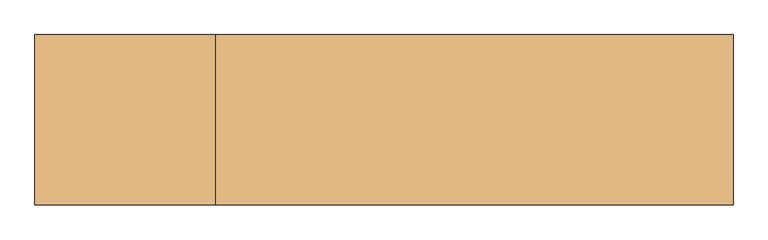
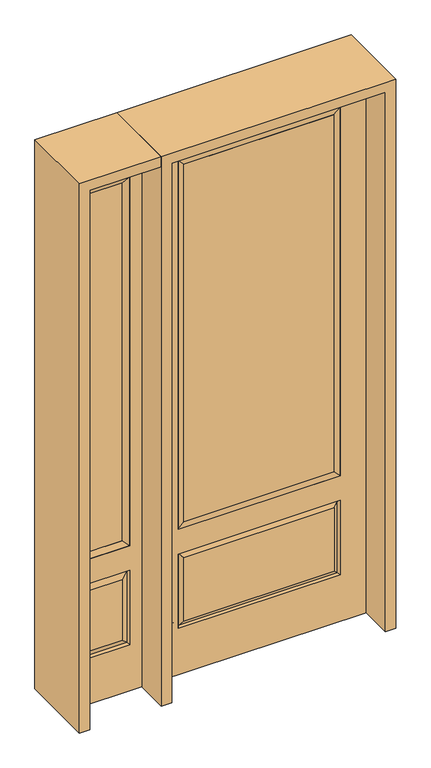
"""IFC4 building model written with IfcOpenShell, lengths in millimetres: door geometry."""

import ifcopenshell
import ifcopenshell.guid

model = None  # the IFC model being written
_history = None  # IfcOwnerHistory: only IFC2X3 demands one
_inside = {}  # id of a spatial element -> (the spatial element, [elements in it])
_under = {}  # id of a project, library or spatial element -> (it, [spatial elements below it])
_declared = {}  # id of a project -> (the project, [libraries it declares])
_typed = {}  # id of a type object -> (the type object, [elements of that type])
_made_of = {}  # id of a material, layer set ... -> (it, [elements and type objects made of it])


def new_model(schema):
    """Start an empty IFC model of exactly this schema.

    Asked for "IFC4X3", IfcOpenShell would pick the latest addendum, in which some entities
    have other attributes; the version numbers below select the first issue.
    IFC2X3 requires an IfcOwnerHistory on every rooted entity: one is made here for all.
    """
    global model, _history
    if schema == "IFC4X3":
        model = ifcopenshell.file(schema_version=(4, 3, 0, 0))
    else:
        model = ifcopenshell.file(schema=schema)
    _inside.clear()
    _under.clear()
    _declared.clear()
    _typed.clear()
    _made_of.clear()
    _history = None
    if model.schema == "IFC2X3":
        org = make("IfcOrganization", Name="unknown")
        user = make(
            "IfcPersonAndOrganization",
            ThePerson=make("IfcPerson", FamilyName="unknown"),
            TheOrganization=org,
        )
        app = make(
            "IfcApplication",
            ApplicationDeveloper=org,
            Version="unknown",
            ApplicationFullName="unknown",
            ApplicationIdentifier="unknown",
        )
        _history = make(
            "IfcOwnerHistory",
            OwningUser=user,
            OwningApplication=app,
            ChangeAction="ADDED",
            CreationDate=0,
        )
    return model


def make(cls, **values):
    """One entity of the class cls with the attributes given. An attribute that is None is left unset."""
    return model.create_entity(
        cls, **{name: value for name, value in values.items() if value is not None}
    )


def rooted(cls, **values):
    """An entity with a GlobalId (a new one), such as an element, a storey or a relation."""
    return make(cls, GlobalId=ifcopenshell.guid.new(), OwnerHistory=_history, **values)


def si_unit(unit_type, name, prefix=None):
    """IfcSIUnit, for example si_unit("LENGTHUNIT", "METRE", prefix="MILLI")."""
    return make("IfcSIUnit", UnitType=unit_type, Prefix=prefix, Name=name)


def assignment(units):
    """IfcUnitAssignment: the units of a project."""
    return None if units is None else make("IfcUnitAssignment", Units=units)


def point(xyz):
    """IfcCartesianPoint."""
    return None if xyz is None else make("IfcCartesianPoint", Coordinates=xyz)


def direction(xyz):
    """IfcDirection."""
    return None if xyz is None else make("IfcDirection", DirectionRatios=xyz)


def frame(location, z_axis=None, x_axis=None):
    """IfcAxis2Placement3D, a coordinate frame: its origin and axes. An axis left out is left unset."""
    return make(
        "IfcAxis2Placement3D",
        Location=point(location),
        Axis=direction(z_axis),
        RefDirection=direction(x_axis),
    )


def origin():
    """The frame at (0, 0, 0) with its axes left unset."""
    return frame((0.0, 0.0, 0.0))


def place(relative_to, where):
    """IfcLocalPlacement: puts the frame where relative to a parent placement (None: the world)."""
    return make(
        "IfcLocalPlacement", PlacementRelTo=relative_to, RelativePlacement=where
    )


def context(
    kind, dimensions, precision=None, world=None, true_north=None, identifier=None
):
    """IfcGeometricRepresentationContext, for example the 3D "Model" context."""
    return make(
        "IfcGeometricRepresentationContext",
        ContextIdentifier=identifier,
        ContextType=kind,
        CoordinateSpaceDimension=dimensions,
        Precision=precision,
        WorldCoordinateSystem=world,
        TrueNorth=true_north,
    )


def project(units=None, contexts=None):
    """IfcProject with its units and contexts."""
    return rooted(
        "IfcProject",
        Name="project",
        RepresentationContexts=contexts,
        UnitsInContext=assignment(units),
    )


def spatial(cls, under=None, at=None, **own):
    """A site, building, storey or space (cls), placed at a placement, below another one or the project."""
    s = rooted(cls, ObjectPlacement=at, **own)
    if under is not None:
        _under.setdefault(under.id(), (under, []))[1].append(s)
    return s


def polyline(points):
    """IfcPolyline through the points."""
    return make("IfcPolyline", Points=[point(p) for p in points])


def outline(outer, holes=None, kind="AREA"):
    """IfcArbitraryClosedProfileDef: a profile drawn as a closed curve; with holes, ...WithVoids."""
    if holes is None:
        return make("IfcArbitraryClosedProfileDef", ProfileType=kind, OuterCurve=outer)
    return make(
        "IfcArbitraryProfileDefWithVoids",
        ProfileType=kind,
        OuterCurve=outer,
        InnerCurves=holes,
    )


def extrude(swept, where, along, depth):
    """IfcExtrudedAreaSolid: the profile swept, set in the frame where, extruded along a direction by depth."""
    return make(
        "IfcExtrudedAreaSolid",
        SweptArea=swept,
        Position=where,
        ExtrudedDirection=direction(along),
        Depth=depth,
    )


def faces_of(points, faces, orient=None, outer=None):
    """IfcFace entities. A face is a list of loops; a loop is a list of indices into points, from 0.

    orient and outer hold one flag for each loop. By default every Orientation is true, the
    first loop of a face is its IfcFaceOuterBound and the others are IfcFaceBound.
    """
    made = []
    for i, loops in enumerate(faces):
        bounds = []
        for j, loop in enumerate(loops):
            is_outer = j == 0 if outer is None else outer[i][j]
            bounds.append(
                make(
                    "IfcFaceOuterBound" if is_outer else "IfcFaceBound",
                    Bound=make("IfcPolyLoop", Polygon=[points[k] for k in loop]),
                    Orientation=True if orient is None else orient[i][j],
                )
            )
        made.append(make("IfcFace", Bounds=bounds))
    return made


def faceted_brep(points, faces, orient=None, outer=None, voids=None):
    """IfcFacetedBrep: a solid bounded by flat faces; with voids (closed shells), ...WithVoids."""
    shared = [point(p) for p in points]
    hull = make("IfcClosedShell", CfsFaces=faces_of(shared, faces, orient, outer))
    if voids is None:
        return make("IfcFacetedBrep", Outer=hull)
    return make(
        "IfcFacetedBrepWithVoids",
        Outer=hull,
        Voids=[
            make(cls, CfsFaces=faces_of(shared, fs, o, b)) for cls, fs, o, b in voids
        ],
    )


def shape(context_of_items, identifier, shape_type, items):
    """IfcShapeRepresentation: the items that make up one representation, for example the "Body"."""
    return make(
        "IfcShapeRepresentation",
        ContextOfItems=context_of_items,
        RepresentationIdentifier=identifier,
        RepresentationType=shape_type,
        Items=items,
    )


def source(mapping_origin, context_of_items, identifier, shape_type, items):
    """IfcRepresentationMap: a shape defined once, which mapped items show again and again."""
    return make(
        "IfcRepresentationMap",
        MappingOrigin=mapping_origin,
        MappedRepresentation=shape(context_of_items, identifier, shape_type, items),
    )


def transform(
    local_origin,
    x_axis=None,
    y_axis=None,
    z_axis=None,
    scale=None,
    scale2=None,
    scale3=None,
    uniform=True,
):
    """IfcCartesianTransformationOperator3D, or its non-uniform kind. x_axis, y_axis, z_axis: its Axis1, 2, 3."""
    if uniform:
        return make(
            "IfcCartesianTransformationOperator3D",
            Axis1=direction(x_axis),
            Axis2=direction(y_axis),
            LocalOrigin=point(local_origin),
            Scale=scale,
            Axis3=direction(z_axis),
        )
    return make(
        "IfcCartesianTransformationOperator3DnonUniform",
        Axis1=direction(x_axis),
        Axis2=direction(y_axis),
        LocalOrigin=point(local_origin),
        Scale=scale,
        Axis3=direction(z_axis),
        Scale2=scale2,
        Scale3=scale3,
    )


def mapped(mapping_source, mapping_target):
    """IfcMappedItem: shows the shape of a source again, moved by a transform."""
    return make(
        "IfcMappedItem", MappingSource=mapping_source, MappingTarget=mapping_target
    )


def made_of(thing, what):
    """Note that an element or type object is made of a material, layer set ...; save() writes the relation."""
    if what is not None:
        _made_of.setdefault(what.id(), (what, []))[1].append(thing)
    return thing


def element(
    cls,
    number,
    at=None,
    inside=None,
    cuts=None,
    type_object=None,
    material=None,
    context=None,
    identifier="Body",
    shape_type=None,
    held_by="IfcProductDefinitionShape",
    body=None,
    shapes=None,
    **own,
):
    """One element of the class cls, such as IfcWall. Its Tag is "e" and its number.

    at: its placement. inside: the storey or other place that contains it. cuts: it is an
    opening in that element (IfcRelVoidsElement). A single representation is given by context,
    identifier, shape_type and body (its items); several are given by shapes. held_by: the class
    of the entity that holds the representations. save() writes the other relations.
    """
    e = rooted(cls, Tag="e%d" % number, ObjectPlacement=at, **own)
    if body is not None:
        shapes = [shape(context, identifier, shape_type, body)]
    if shapes is not None:
        e.Representation = make(held_by, Representations=shapes)
    if inside is not None:
        _inside.setdefault(inside.id(), (inside, []))[1].append(e)
    if cuts is not None:
        rooted(
            "IfcRelVoidsElement", RelatingBuildingElement=cuts, RelatedOpeningElement=e
        )
    if type_object is not None:
        _typed.setdefault(type_object.id(), (type_object, []))[1].append(e)
    return made_of(e, material)


def aggregate(whole, parts):
    """IfcRelAggregates: a whole, such as a stair, and the parts it consists of."""
    return rooted("IfcRelAggregates", RelatingObject=whole, RelatedObjects=parts)


def save(model, path):
    """Write the relations noted so far, then the file.

    IfcRelAggregates (storeys below a building ...), IfcRelContainedInSpatialStructure (elements
    in a storey), IfcRelDefinesByType, IfcRelAssociatesMaterial and IfcRelDeclares: one each for
    every whole, place, type object, material and project.
    """
    for whole, parts in _under.values():
        aggregate(whole, parts)
    for where, things in _inside.values():
        rooted(
            "IfcRelContainedInSpatialStructure",
            RelatedElements=things,
            RelatingStructure=where,
        )
    for kind, things in _typed.values():
        rooted("IfcRelDefinesByType", RelatedObjects=things, RelatingType=kind)
    for what, things in _made_of.values():
        rooted("IfcRelAssociatesMaterial", RelatedObjects=things, RelatingMaterial=what)
    for by, libraries in _declared.values():
        rooted("IfcRelDeclares", RelatingContext=by, RelatedDefinitions=libraries)
    model.write(path)


def door_c6d28d1c(model_context):
    return source(origin(), model_context, "Body", "SolidModel", [
        faceted_brep([(-806.45, -22.225, 0.0), (-501.65, -22.225, 0.0), (-501.65, -22.225, 2438.4), (-806.45, -22.225, 2438.4), (-553.72, -22.225, 2325.624), (-553.72, -22.225, 657.098), (-754.38, -22.225, 657.098), (-754.38, -22.225, 2325.624), (-553.72, -22.225, 209.55), (-754.38, -22.225, 209.55), (-754.38, -22.225, 546.1), (-553.72, -22.225, 546.1), (-722.6648999, -22.225, 241.2651001), (-585.4351001, -22.225, 241.2651001), (-585.4351001, -22.225, 514.3848999), (-722.6648999, -22.225, 514.3848999), (-806.45, 22.225, 0.0), (-806.45, 22.225, 2438.4), (-501.65, 22.225, 2438.4), (-501.65, 22.225, 0.0), (-553.72, 22.225, 2325.624), (-754.38, 22.225, 2325.624), (-754.38, 22.225, 657.098), (-553.72, 22.225, 657.098), (-754.38, 22.225, 209.55), (-553.72, 22.225, 209.55), (-553.72, 22.225, 546.1), (-754.38, 22.225, 546.1), (-585.4351001, 22.225, 241.2651001), (-722.6648999, 22.225, 241.2651001), (-722.6648999, 22.225, 514.3848999), (-585.4351001, 22.225, 514.3848999), (-560.8288501, 12.7912373, 216.6588501), (-747.2711499, 12.7912373, 216.6588501), (-747.2711499, 12.7912373, 538.9911499), (-560.8288501, 12.7912373, 538.9911499), (-747.2711499, -12.7912373, 216.6588501), (-560.8288501, -12.7912373, 216.6588501), (-747.2711499, -12.7912373, 538.9911499), (-560.8288501, -12.7912373, 538.9911499)], [[[0, 1, 2, 3], [4, 5, 6, 7], [8, 9, 10, 11]], [[12, 13, 14, 15]], [[16, 17, 18, 19], [20, 21, 22, 23], [24, 25, 26, 27]], [[28, 29, 30, 31]], [[1, 0, 16, 19]], [[2, 1, 19, 18]], [[3, 2, 18, 17]], [[0, 3, 17, 16]], [[5, 4, 20, 23]], [[6, 5, 23, 22]], [[7, 6, 22, 21]], [[4, 7, 21, 20]], [[32, 33, 29, 28]], [[33, 32, 25, 24]], [[29, 33, 34, 30]], [[33, 24, 27, 34]], [[30, 34, 35, 31]], [[34, 27, 26, 35]], [[32, 28, 31, 35]], [[25, 32, 35, 26]], [[12, 36, 37, 13]], [[37, 36, 9, 8]], [[36, 12, 15, 38]], [[9, 36, 38, 10]], [[38, 15, 14, 39]], [[10, 38, 39, 11]], [[13, 37, 39, 14]], [[37, 8, 11, 39]]]),
        faceted_brep([(-754.38, 22.225, 2325.624), (-754.38, -22.225, 2325.624), (-553.72, -22.225, 2325.624), (-553.72, 22.225, 2325.624), (-728.98, 12.7, 2300.224), (-579.12, 12.7, 2300.224), (-728.98, -12.7, 2300.224), (-579.12, -12.7, 2300.224), (-553.72, -22.225, 657.098), (-553.72, 22.225, 657.098), (-579.12, 12.7, 682.498), (-579.12, -12.7, 682.498), (-754.38, -22.225, 657.098), (-754.38, 22.225, 657.098), (-728.98, 12.7, 682.498), (-728.98, -12.7, 682.498)], [[[0, 1, 2, 3]], [[4, 0, 3, 5]], [[6, 4, 5, 7]], [[1, 6, 7, 2]], [[3, 2, 8, 9]], [[5, 3, 9, 10]], [[7, 5, 10, 11]], [[2, 7, 11, 8]], [[9, 8, 12, 13]], [[10, 9, 13, 14]], [[11, 10, 14, 15]], [[8, 11, 15, 12]], [[13, 12, 1, 0]], [[14, 13, 0, 4]], [[15, 14, 4, 6]], [[12, 15, 6, 1]]]),
        extrude(outline(polyline([(-579.12, -12.7), (-728.98, -12.7), (-728.98, 12.7), (-579.12, 12.7), (-579.12, -12.7)])), frame((0.0, 0.0, 682.498), z_axis=(0.0, 0.0, 1.0), x_axis=(1.0, 0.0, 0.0)), (0.0, 0.0, 1.0), 1617.726),
        extrude(outline(polyline([(320.675, -20.32), (-320.675, -20.32), (-320.675, 5.08), (320.675, 5.08), (320.675, -20.32)])), frame((0.0, 0.0, 682.498), z_axis=(0.0, 0.0, 1.0), x_axis=(1.0, 0.0, 0.0)), (0.0, 0.0, 1.0), 1616.202),
        faceted_brep([(-338.9661499, -12.7912373, 216.6588501), (338.9661499, -12.7912373, 216.6588501), (321.46875, -22.225, 234.15625), (-321.46875, -22.225, 234.15625), (-346.075, -22.225, 209.55), (346.075, -22.225, 209.55), (-338.9661499, -12.7912373, 538.9911499), (-346.075, -22.225, 546.1), (321.46875, -22.225, 521.49375), (-321.46875, -22.225, 521.49375), (457.2, -22.225, 2438.4), (-457.2, -22.225, 2438.4), (-457.2, -22.225, 0.0), (457.2, -22.225, 0.0), (346.075, -22.225, 546.1), (346.075, -22.225, 2324.1), (346.075, -22.225, 657.098), (-346.075, -22.225, 657.098), (-346.075, -22.225, 2324.1), (338.9661499, -12.7912373, 538.9911499), (-457.2, 22.225, 2438.4), (-457.2, 22.225, 0.0), (457.2, 22.225, 0.0), (457.2, 22.225, 2438.4), (346.075, 22.225, 2324.1), (346.075, 22.225, 657.098), (-346.075, 22.225, 657.098), (-346.075, 22.225, 2324.1), (-346.075, 22.225, 209.55), (346.075, 22.225, 209.55), (346.075, 22.225, 546.1), (-346.075, 22.225, 546.1), (321.46875, 22.225, 234.15625), (-321.46875, 22.225, 234.15625), (-321.46875, 22.225, 521.49375), (321.46875, 22.225, 521.49375), (-338.9661499, 12.7912373, 216.6588501), (338.9661499, 12.7912373, 216.6588501), (338.9661499, 12.7912373, 538.9911499), (-338.9661499, 12.7912373, 538.9911499)], [[[0, 1, 2, 3]], [[1, 0, 4, 5]], [[4, 0, 6, 7]], [[3, 2, 8, 9]], [[10, 11, 12, 13], [5, 4, 7, 14], [15, 16, 17, 18]], [[1, 5, 14, 19]], [[2, 1, 19, 8]], [[0, 3, 9, 6]], [[7, 6, 19, 14]], [[6, 9, 8, 19]], [[12, 11, 20, 21]], [[13, 12, 21, 22]], [[10, 13, 22, 23]], [[16, 15, 24, 25]], [[17, 16, 25, 26]], [[18, 17, 26, 27]], [[23, 22, 21, 20], [28, 29, 30, 31], [24, 27, 26, 25]], [[32, 33, 34, 35]], [[28, 36, 37, 29]], [[29, 37, 38, 30]], [[39, 31, 30, 38]], [[36, 28, 31, 39]], [[37, 36, 33, 32]], [[33, 36, 39, 34]], [[34, 39, 38, 35]], [[37, 32, 35, 38]], [[11, 10, 23, 20]], [[15, 18, 27, 24]]]),
        faceted_brep([(-346.075, -22.225, 2324.1), (-346.075, 22.225, 2324.1), (-346.075, 22.225, 657.098), (-346.075, -22.225, 657.098), (346.075, 22.225, 657.098), (346.075, -22.225, 657.098), (-320.675, 5.08, 682.498), (320.675, 5.08, 682.498), (346.075, 22.225, 2324.1), (346.075, -22.225, 2324.1), (-320.675, -20.32, 682.498), (320.675, -20.32, 682.498), (-320.675, -20.32, 2298.7), (320.675, -20.32, 2298.7), (-320.675, 5.08, 2298.7), (320.675, 5.08, 2298.7)], [[[0, 1, 2, 3]], [[3, 2, 4, 5]], [[2, 6, 7, 4]], [[5, 4, 8, 9]], [[10, 3, 5, 11]], [[12, 0, 3, 10]], [[11, 5, 9, 13]], [[6, 10, 11, 7]], [[14, 12, 10, 6]], [[7, 11, 13, 15]], [[1, 14, 6, 2]], [[4, 7, 15, 8]], [[9, 8, 1, 0]], [[13, 9, 0, 12]], [[15, 13, 12, 14]], [[8, 15, 14, 1]]]),
        extrude(outline(polyline([(2438.4, -501.65), (2482.85, -501.65), (2482.85, -850.9), (0.0, -850.9), (0.0, -806.45), (2438.4, -806.45), (2438.4, -501.65)])), frame((0.0, -165.1, 0.0), z_axis=(0.0, 1.0, 0.0), x_axis=(0.0, 0.0, 1.0)), (0.0, 0.0, 1.0), 330.2),
        extrude(outline(polyline([(2482.85, -501.65), (0.0, -501.65), (0.0, -457.2), (2438.4, -457.2), (2438.4, 457.2), (0.0, 457.2), (0.0, 501.65), (2482.85, 501.65), (2482.85, -501.65)])), frame((0.0, -165.1, 0.0), z_axis=(0.0, 1.0, 0.0), x_axis=(0.0, 0.0, 1.0)), (0.0, 0.0, 1.0), 330.2),
    ])


if __name__ == "__main__":
    model = new_model("IFC4")
    model_context = context("Model", 3, world=origin())
    ifc_project = project(units=[si_unit("LENGTHUNIT", "METRE", prefix="MILLI")], contexts=[model_context])
    site = spatial("IfcSite", under=ifc_project)
    building = spatial("IfcBuilding", under=site)
    placement = place(None, origin())
    door_shape = door_c6d28d1c(model_context)
    element("IfcDoor", 1, at=placement, inside=building, context=model_context, shape_type="MappedRepresentation", body=[
        mapped(door_shape, transform((0.0, 0.0, 0.0), x_axis=(1.0, 0.0, 0.0), y_axis=(0.0, 1.0, 0.0), z_axis=(0.0, 0.0, 1.0))),
    ])
    save(model, "model.ifc")
